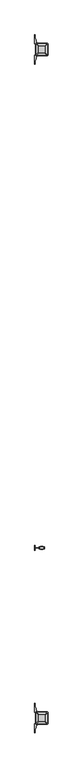
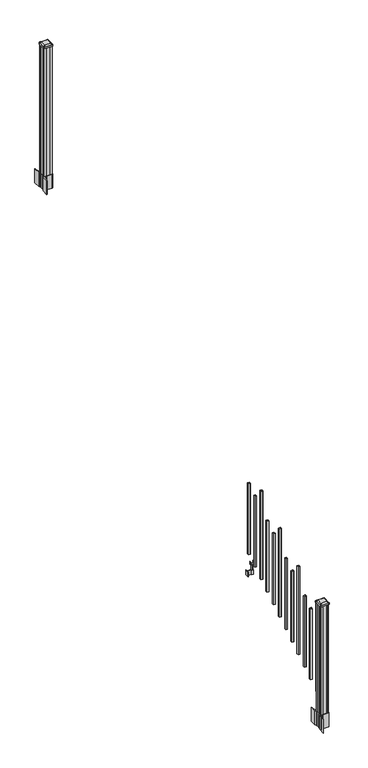
"""IFC4 building model written with IfcOpenShell, lengths in millimetres: railing geometry."""

import ifcopenshell
import ifcopenshell.guid

model = None  # the IFC model being written
_history = None  # IfcOwnerHistory: only IFC2X3 demands one
_inside = {}  # id of a spatial element -> (the spatial element, [elements in it])
_under = {}  # id of a project, library or spatial element -> (it, [spatial elements below it])
_declared = {}  # id of a project -> (the project, [libraries it declares])
_typed = {}  # id of a type object -> (the type object, [elements of that type])
_made_of = {}  # id of a material, layer set ... -> (it, [elements and type objects made of it])


def new_model(schema):
    """Start an empty IFC model of exactly this schema.

    Asked for "IFC4X3", IfcOpenShell would pick the latest addendum, in which some entities
    have other attributes; the version numbers below select the first issue.
    IFC2X3 requires an IfcOwnerHistory on every rooted entity: one is made here for all.
    """
    global model, _history
    if schema == "IFC4X3":
        model = ifcopenshell.file(schema_version=(4, 3, 0, 0))
    else:
        model = ifcopenshell.file(schema=schema)
    _inside.clear()
    _under.clear()
    _declared.clear()
    _typed.clear()
    _made_of.clear()
    _history = None
    if model.schema == "IFC2X3":
        org = make("IfcOrganization", Name="unknown")
        user = make(
            "IfcPersonAndOrganization",
            ThePerson=make("IfcPerson", FamilyName="unknown"),
            TheOrganization=org,
        )
        app = make(
            "IfcApplication",
            ApplicationDeveloper=org,
            Version="unknown",
            ApplicationFullName="unknown",
            ApplicationIdentifier="unknown",
        )
        _history = make(
            "IfcOwnerHistory",
            OwningUser=user,
            OwningApplication=app,
            ChangeAction="ADDED",
            CreationDate=0,
        )
    return model


def make(cls, **values):
    """One entity of the class cls with the attributes given. An attribute that is None is left unset."""
    return model.create_entity(
        cls, **{name: value for name, value in values.items() if value is not None}
    )


def rooted(cls, **values):
    """An entity with a GlobalId (a new one), such as an element, a storey or a relation."""
    return make(cls, GlobalId=ifcopenshell.guid.new(), OwnerHistory=_history, **values)


def si_unit(unit_type, name, prefix=None):
    """IfcSIUnit, for example si_unit("LENGTHUNIT", "METRE", prefix="MILLI")."""
    return make("IfcSIUnit", UnitType=unit_type, Prefix=prefix, Name=name)


def assignment(units):
    """IfcUnitAssignment: the units of a project."""
    return None if units is None else make("IfcUnitAssignment", Units=units)


def point(xyz):
    """IfcCartesianPoint."""
    return None if xyz is None else make("IfcCartesianPoint", Coordinates=xyz)


def direction(xyz):
    """IfcDirection."""
    return None if xyz is None else make("IfcDirection", DirectionRatios=xyz)


def frame(location, z_axis=None, x_axis=None):
    """IfcAxis2Placement3D, a coordinate frame: its origin and axes. An axis left out is left unset."""
    return make(
        "IfcAxis2Placement3D",
        Location=point(location),
        Axis=direction(z_axis),
        RefDirection=direction(x_axis),
    )


def frame_2d(location, x_axis=None):
    """IfcAxis2Placement2D, a coordinate frame in the plane: its origin and x axis."""
    return make(
        "IfcAxis2Placement2D", Location=point(location), RefDirection=direction(x_axis)
    )


def origin():
    """The frame at (0, 0, 0) with its axes left unset."""
    return frame((0.0, 0.0, 0.0))


def place(relative_to, where):
    """IfcLocalPlacement: puts the frame where relative to a parent placement (None: the world)."""
    return make(
        "IfcLocalPlacement", PlacementRelTo=relative_to, RelativePlacement=where
    )


def context(
    kind, dimensions, precision=None, world=None, true_north=None, identifier=None
):
    """IfcGeometricRepresentationContext, for example the 3D "Model" context."""
    return make(
        "IfcGeometricRepresentationContext",
        ContextIdentifier=identifier,
        ContextType=kind,
        CoordinateSpaceDimension=dimensions,
        Precision=precision,
        WorldCoordinateSystem=world,
        TrueNorth=true_north,
    )


def project(units=None, contexts=None):
    """IfcProject with its units and contexts."""
    return rooted(
        "IfcProject",
        Name="project",
        RepresentationContexts=contexts,
        UnitsInContext=assignment(units),
    )


def spatial(cls, under=None, at=None, **own):
    """A site, building, storey or space (cls), placed at a placement, below another one or the project."""
    s = rooted(cls, ObjectPlacement=at, **own)
    if under is not None:
        _under.setdefault(under.id(), (under, []))[1].append(s)
    return s


def polyline(points):
    """IfcPolyline through the points."""
    return make("IfcPolyline", Points=[point(p) for p in points])


def circle_curve(where, radius):
    """IfcCircle in the frame where."""
    return make("IfcCircle", Position=where, Radius=radius)


def trimmed(basis, trim1, trim2, sense, master):
    """IfcTrimmedCurve: the piece of a basis curve between two trims."""
    return make(
        "IfcTrimmedCurve",
        BasisCurve=basis,
        Trim1=trim1,
        Trim2=trim2,
        SenseAgreement=sense,
        MasterRepresentation=master,
    )


def segment(curve, same_sense, transition):
    """IfcCompositeCurveSegment."""
    return make(
        "IfcCompositeCurveSegment",
        Transition=transition,
        SameSense=same_sense,
        ParentCurve=curve,
    )


def composite_curve(segments, self_intersect=None):
    """IfcCompositeCurve: segments joined end to end."""
    return make("IfcCompositeCurve", Segments=segments, SelfIntersect=self_intersect)


def outline(outer, holes=None, kind="AREA"):
    """IfcArbitraryClosedProfileDef: a profile drawn as a closed curve; with holes, ...WithVoids."""
    if holes is None:
        return make("IfcArbitraryClosedProfileDef", ProfileType=kind, OuterCurve=outer)
    return make(
        "IfcArbitraryProfileDefWithVoids",
        ProfileType=kind,
        OuterCurve=outer,
        InnerCurves=holes,
    )


def extrude(swept, where, along, depth):
    """IfcExtrudedAreaSolid: the profile swept, set in the frame where, extruded along a direction by depth."""
    return make(
        "IfcExtrudedAreaSolid",
        SweptArea=swept,
        Position=where,
        ExtrudedDirection=direction(along),
        Depth=depth,
    )


def shape(context_of_items, identifier, shape_type, items):
    """IfcShapeRepresentation: the items that make up one representation, for example the "Body"."""
    return make(
        "IfcShapeRepresentation",
        ContextOfItems=context_of_items,
        RepresentationIdentifier=identifier,
        RepresentationType=shape_type,
        Items=items,
    )


def source(mapping_origin, context_of_items, identifier, shape_type, items):
    """IfcRepresentationMap: a shape defined once, which mapped items show again and again."""
    return make(
        "IfcRepresentationMap",
        MappingOrigin=mapping_origin,
        MappedRepresentation=shape(context_of_items, identifier, shape_type, items),
    )


def transform(
    local_origin,
    x_axis=None,
    y_axis=None,
    z_axis=None,
    scale=None,
    scale2=None,
    scale3=None,
    uniform=True,
):
    """IfcCartesianTransformationOperator3D, or its non-uniform kind. x_axis, y_axis, z_axis: its Axis1, 2, 3."""
    if uniform:
        return make(
            "IfcCartesianTransformationOperator3D",
            Axis1=direction(x_axis),
            Axis2=direction(y_axis),
            LocalOrigin=point(local_origin),
            Scale=scale,
            Axis3=direction(z_axis),
        )
    return make(
        "IfcCartesianTransformationOperator3DnonUniform",
        Axis1=direction(x_axis),
        Axis2=direction(y_axis),
        LocalOrigin=point(local_origin),
        Scale=scale,
        Axis3=direction(z_axis),
        Scale2=scale2,
        Scale3=scale3,
    )


def mapped(mapping_source, mapping_target):
    """IfcMappedItem: shows the shape of a source again, moved by a transform."""
    return make(
        "IfcMappedItem", MappingSource=mapping_source, MappingTarget=mapping_target
    )


def made_of(thing, what):
    """Note that an element or type object is made of a material, layer set ...; save() writes the relation."""
    if what is not None:
        _made_of.setdefault(what.id(), (what, []))[1].append(thing)
    return thing


def element(
    cls,
    number,
    at=None,
    inside=None,
    cuts=None,
    type_object=None,
    material=None,
    context=None,
    identifier="Body",
    shape_type=None,
    held_by="IfcProductDefinitionShape",
    body=None,
    shapes=None,
    **own,
):
    """One element of the class cls, such as IfcWall. Its Tag is "e" and its number.

    at: its placement. inside: the storey or other place that contains it. cuts: it is an
    opening in that element (IfcRelVoidsElement). A single representation is given by context,
    identifier, shape_type and body (its items); several are given by shapes. held_by: the class
    of the entity that holds the representations. save() writes the other relations.
    """
    e = rooted(cls, Tag="e%d" % number, ObjectPlacement=at, **own)
    if body is not None:
        shapes = [shape(context, identifier, shape_type, body)]
    if shapes is not None:
        e.Representation = make(held_by, Representations=shapes)
    if inside is not None:
        _inside.setdefault(inside.id(), (inside, []))[1].append(e)
    if cuts is not None:
        rooted(
            "IfcRelVoidsElement", RelatingBuildingElement=cuts, RelatedOpeningElement=e
        )
    if type_object is not None:
        _typed.setdefault(type_object.id(), (type_object, []))[1].append(e)
    return made_of(e, material)


def aggregate(whole, parts):
    """IfcRelAggregates: a whole, such as a stair, and the parts it consists of."""
    return rooted("IfcRelAggregates", RelatingObject=whole, RelatedObjects=parts)


def save(model, path):
    """Write the relations noted so far, then the file.

    IfcRelAggregates (storeys below a building ...), IfcRelContainedInSpatialStructure (elements
    in a storey), IfcRelDefinesByType, IfcRelAssociatesMaterial and IfcRelDeclares: one each for
    every whole, place, type object, material and project.
    """
    for whole, parts in _under.values():
        aggregate(whole, parts)
    for where, things in _inside.values():
        rooted(
            "IfcRelContainedInSpatialStructure",
            RelatedElements=things,
            RelatingStructure=where,
        )
    for kind, things in _typed.values():
        rooted("IfcRelDefinesByType", RelatedObjects=things, RelatingType=kind)
    for what, things in _made_of.values():
        rooted("IfcRelAssociatesMaterial", RelatedObjects=things, RelatingMaterial=what)
    for by, libraries in _declared.values():
        rooted("IfcRelDeclares", RelatingContext=by, RelatedDefinitions=libraries)
    model.write(path)


def plane_surface(at):
    """IfcPlane: the flat surface through the origin of the frame at, square to its z axis."""
    return make("IfcPlane", Position=at)


def extruded_surface(curve, direction_of_extrusion, depth):
    """IfcSurfaceOfLinearExtrusion: the curve pushed along a direction by depth."""
    return make(
        "IfcSurfaceOfLinearExtrusion",
        SweptCurve=make("IfcArbitraryOpenProfileDef", ProfileType="CURVE", Curve=curve),
        ExtrudedDirection=direction(direction_of_extrusion),
        Depth=depth,
    )


def advanced_brep(points, edges, surfaces, faces):
    """IfcAdvancedBrep: a solid bounded by faces that lie on surfaces and meet in shared edges.

    An edge is (start, end): straight between two places in points (the first is 0);
    or (start, end, curve); or (start, end, curve, False) where it runs against its curve.
    A face is (place in surfaces, loops), or (place, loops, False) where it looks against
    its surface's normal. A loop lists edges by number (the first is 1), with a minus sign
    where the edge is run from its end to its start. The first loop is the outer one.
    """
    corners = [point(p) for p in points]
    vertices = [make("IfcVertexPoint", VertexGeometry=c) for c in corners]
    made = []
    for start, end, *more in edges:
        made.append(
            make(
                "IfcEdgeCurve",
                EdgeStart=vertices[start],
                EdgeEnd=vertices[end],
                EdgeGeometry=more[0] if more else make("IfcPolyline", Points=[corners[start], corners[end]]),
                SameSense=more[1] if len(more) > 1 else True,
            )
        )
    hull = []
    for where, loops, *sense in faces:
        bounds = []
        for j, loop in enumerate(loops):
            ring = [make("IfcOrientedEdge", EdgeElement=made[abs(k) - 1], Orientation=k > 0) for k in loop]
            bounds.append(
                make(
                    "IfcFaceOuterBound" if j == 0 else "IfcFaceBound",
                    Bound=make("IfcEdgeLoop", EdgeList=ring),
                    Orientation=True,
                )
            )
        hull.append(make("IfcAdvancedFace", Bounds=bounds, FaceSurface=surfaces[where], SameSense=sense[0] if sense else True))
    return make("IfcAdvancedBrep", Outer=make("IfcClosedShell", CfsFaces=hull))


def railing_9522a5c0(model_context):
    return source(origin(), model_context, "Body", "SolidModel", [
        extrude(outline(polyline([(11084.3626478, -128101.8918453), (11065.3126478, -128101.8918453), (11065.3126478, -128082.8418453), (11084.3626478, -128082.8418453), (11084.3626478, -128101.8918453)]), holes=[polyline([(11083.9657728, -128101.4949703), (11083.9657728, -128083.2387203), (11065.7095228, -128083.2387203), (11065.7095228, -128101.4949703), (11083.9657728, -128101.4949703)])]), frame((0.0, 0.0, 1089.6558781), z_axis=(0.0, 0.0, 1.0), x_axis=(1.0, 0.0, 0.0)), (0.0, 0.0, 1.0), 774.7041219),
        extrude(outline(polyline([(11064.169648, -128149.2628453), (11024.7996478, -128149.2628453), (11024.7996478, -128146.7228453), (11064.169648, -128146.7228453), (11064.169648, -128149.2628453)])), frame((0.0, 0.0, 902.49375), z_axis=(0.0, 0.0, 1.0), x_axis=(1.0, 0.0, 0.0)), (0.0, 0.0, 1.0), 50.8),
        extrude(outline(polyline([(11024.7996478, -128167.0428453), (11022.2596478, -128167.0428453), (11022.2596478, -128128.9428453), (11024.7996478, -128128.9428453), (11024.7996478, -128167.0428453)])), frame((0.0, 0.0, 902.49375), z_axis=(0.0, 0.0, 1.0), x_axis=(1.0, 0.0, 0.0)), (0.0, 0.0, 1.0), 50.8),
        extrude(outline(polyline([(11085.5056485, -128157.8988453), (11064.169648, -128157.8988453), (11064.169648, -128138.0868453), (11085.5056485, -128138.0868453), (11085.5056485, -128157.8988453)]), holes=[polyline([(11082.2036484, -128155.3588453), (11082.2036484, -128140.6268453), (11067.4716481, -128140.6268453), (11067.4716481, -128155.3588453), (11082.2036484, -128155.3588453)])]), frame((0.0, 0.0, 902.49375), z_axis=(0.0, 0.0, 1.0), x_axis=(1.0, 0.0, 0.0)), (0.0, 0.0, 1.0), 50.8),
        extrude(outline(polyline([(1042.0141479, 11056.6766489), (1041.2521469, 11055.9146479), (1014.7617523, 11055.9146479), (1013.9997513, 11056.6766489), (1013.9997513, 11066.709648), (1013.2377512, 11067.4716481), (949.7377512, 11067.4716481), (949.7377512, 11082.2036484), (1013.2377512, 11082.2036484), (1013.9997513, 11082.9656485), (1013.9997513, 11092.9986475), (1014.7617523, 11093.7606486), (1041.2521469, 11093.7606486), (1042.0141479, 11092.9986475), (1042.0141479, 11090.966648), (1040.9981453, 11089.9506482), (1030.5623581, 11089.9506482), (1029.5463573, 11090.966648), (1017.555751, 11090.966648), (1016.7937519, 11090.2046488), (1016.7937519, 11059.4706477), (1017.555751, 11058.7086485), (1029.5463573, 11058.7086485), (1030.5623581, 11059.7246483), (1040.9981453, 11059.7246483), (1042.0141479, 11058.7086485), (1042.0141479, 11056.6766489)]), holes=[polyline([(1013.9997513, 11078.2666481), (1013.2377512, 11079.0286482), (957.2307531, 11079.0286482), (956.4687531, 11078.2666481), (956.4687531, 11071.4086455), (957.2307503, 11070.6466483), (1013.2377512, 11070.6466483), (1013.9997513, 11071.4086483), (1013.9997513, 11078.2666481)])]), frame((0.0, -128155.3588453, 0.0), z_axis=(0.0, 1.0, 0.0), x_axis=(0.0, 0.0, 1.0)), (0.0, 0.0, 1.0), 14.732),
        extrude(outline(polyline([(11084.3626478, -128213.1438453), (11065.3126478, -128213.1438453), (11065.3126478, -128194.0938453), (11084.3626478, -128194.0938453), (11084.3626478, -128213.1438453)]), holes=[polyline([(11083.9657728, -128212.7469703), (11083.9657728, -128194.4907203), (11065.7095228, -128194.4907203), (11065.7095228, -128212.7469703), (11083.9657728, -128212.7469703)])]), frame((0.0, 0.0, 1020.1233781), z_axis=(0.0, 0.0, 1.0), x_axis=(1.0, 0.0, 0.0)), (0.0, 0.0, 1.0), 774.7041219),
        extrude(outline(polyline([(11084.3626478, -128324.3958453), (11065.3126478, -128324.3958453), (11065.3126478, -128305.3458453), (11084.3626478, -128305.3458453), (11084.3626478, -128324.3958453)]), holes=[polyline([(11083.9657728, -128323.9989703), (11083.9657728, -128305.7427203), (11065.7095228, -128305.7427203), (11065.7095228, -128323.9989703), (11083.9657728, -128323.9989703)])]), frame((0.0, 0.0, 950.5908781), z_axis=(0.0, 0.0, 1.0), x_axis=(1.0, 0.0, 0.0)), (0.0, 0.0, 1.0), 965.2041219),
        extrude(outline(polyline([(11084.3626478, -128435.6478453), (11065.3126478, -128435.6478453), (11065.3126478, -128416.5978453), (11084.3626478, -128416.5978453), (11084.3626478, -128435.6478453)]), holes=[polyline([(11083.9657728, -128435.2509703), (11083.9657728, -128416.9947203), (11065.7095228, -128416.9947203), (11065.7095228, -128435.2509703), (11083.9657728, -128435.2509703)])]), frame((0.0, 0.0, 881.0583781), z_axis=(0.0, 0.0, 1.0), x_axis=(1.0, 0.0, 0.0)), (0.0, 0.0, 1.0), 774.7041219),
        extrude(outline(polyline([(11084.3626478, -128546.8998453), (11065.3126478, -128546.8998453), (11065.3126478, -128527.8498453), (11084.3626478, -128527.8498453), (11084.3626478, -128546.8998453)]), holes=[polyline([(11083.9657728, -128546.5029703), (11083.9657728, -128528.2467203), (11065.7095228, -128528.2467203), (11065.7095228, -128546.5029703), (11083.9657728, -128546.5029703)])]), frame((0.0, 0.0, 811.5258781), z_axis=(0.0, 0.0, 1.0), x_axis=(1.0, 0.0, 0.0)), (0.0, 0.0, 1.0), 774.7041219),
        extrude(outline(polyline([(11084.3626478, -128658.1518453), (11065.3126478, -128658.1518453), (11065.3126478, -128639.1018453), (11084.3626478, -128639.1018453), (11084.3626478, -128658.1518453)]), holes=[polyline([(11083.9657728, -128657.7549703), (11083.9657728, -128639.4987203), (11065.7095228, -128639.4987203), (11065.7095228, -128657.7549703), (11083.9657728, -128657.7549703)])]), frame((0.0, 0.0, 741.9933781), z_axis=(0.0, 0.0, 1.0), x_axis=(1.0, 0.0, 0.0)), (0.0, 0.0, 1.0), 965.2041219),
        extrude(outline(polyline([(11084.3626478, -128769.4038453), (11065.3126478, -128769.4038453), (11065.3126478, -128750.3538453), (11084.3626478, -128750.3538453), (11084.3626478, -128769.4038453)]), holes=[polyline([(11083.9657728, -128769.0069703), (11083.9657728, -128750.7507203), (11065.7095228, -128750.7507203), (11065.7095228, -128769.0069703), (11083.9657728, -128769.0069703)])]), frame((0.0, 0.0, 672.4608781), z_axis=(0.0, 0.0, 1.0), x_axis=(1.0, 0.0, 0.0)), (0.0, 0.0, 1.0), 774.7041219),
        extrude(outline(polyline([(11084.3626478, -128880.6558453), (11065.3126478, -128880.6558453), (11065.3126478, -128861.6058453), (11084.3626478, -128861.6058453), (11084.3626478, -128880.6558453)]), holes=[polyline([(11083.9657728, -128880.2589703), (11083.9657728, -128862.0027203), (11065.7095228, -128862.0027203), (11065.7095228, -128880.2589703), (11083.9657728, -128880.2589703)])]), frame((0.0, 0.0, 602.9283781), z_axis=(0.0, 0.0, 1.0), x_axis=(1.0, 0.0, 0.0)), (0.0, 0.0, 1.0), 774.7041219),
        extrude(outline(polyline([(11084.3626478, -128991.9078453), (11065.3126478, -128991.9078453), (11065.3126478, -128972.8578453), (11084.3626478, -128972.8578453), (11084.3626478, -128991.9078453)]), holes=[polyline([(11083.9657728, -128991.5109703), (11083.9657728, -128973.2547203), (11065.7095228, -128973.2547203), (11065.7095228, -128991.5109703), (11083.9657728, -128991.5109703)])]), frame((0.0, 0.0, 533.3958781), z_axis=(0.0, 0.0, 1.0), x_axis=(1.0, 0.0, 0.0)), (0.0, 0.0, 1.0), 965.2041219),
        extrude(outline(polyline([(11084.3626478, -129103.1598453), (11065.3126478, -129103.1598453), (11065.3126478, -129084.1098453), (11084.3626478, -129084.1098453), (11084.3626478, -129103.1598453)]), holes=[polyline([(11083.9657728, -129102.7629703), (11083.9657728, -129084.5067203), (11065.7095228, -129084.5067203), (11065.7095228, -129102.7629703), (11083.9657728, -129102.7629703)])]), frame((0.0, 0.0, 463.8633781), z_axis=(0.0, 0.0, 1.0), x_axis=(1.0, 0.0, 0.0)), (0.0, 0.0, 1.0), 774.7041219),
        extrude(outline(polyline([(11084.3626478, -129214.4118453), (11065.3126478, -129214.4118453), (11065.3126478, -129195.3618453), (11084.3626478, -129195.3618453), (11084.3626478, -129214.4118453)]), holes=[polyline([(11083.9657728, -129214.0149703), (11083.9657728, -129195.7587203), (11065.7095228, -129195.7587203), (11065.7095228, -129214.0149703), (11083.9657728, -129214.0149703)])]), frame((0.0, 0.0, 394.3308781), z_axis=(0.0, 0.0, 1.0), x_axis=(1.0, 0.0, 0.0)), (0.0, 0.0, 1.0), 774.7041219),
        extrude(outline(polyline([(11084.3626478, -129325.6638453), (11065.3126478, -129325.6638453), (11065.3126478, -129306.6138453), (11084.3626478, -129306.6138453), (11084.3626478, -129325.6638453)]), holes=[polyline([(11083.9657728, -129325.2669703), (11083.9657728, -129307.0107203), (11065.7095228, -129307.0107203), (11065.7095228, -129325.2669703), (11083.9657728, -129325.2669703)])]), frame((0.0, 0.0, 324.7983781), z_axis=(0.0, 0.0, 1.0), x_axis=(1.0, 0.0, 0.0)), (0.0, 0.0, 1.0), 965.2041219),
        extrude(outline(polyline([(11035.1501478, -124491.5358453), (11033.5626478, -124489.9483453), (11033.5626478, -124470.3268453), (11035.1501478, -124469.5648453), (11035.1501478, -124430.9568453), (11033.5626478, -124430.1948453), (11033.5626478, -124410.5733453), (11035.1501478, -124408.9858453), (11054.7716478, -124408.9858453), (11055.5336478, -124410.5733453), (11094.1416478, -124410.5733453), (11094.9036478, -124408.9858453), (11114.5251478, -124408.9858453), (11116.1126478, -124410.5733453), (11116.1126478, -124430.1948453), (11114.5251478, -124430.9568453), (11114.5251478, -124469.5648453), (11116.1126478, -124470.3268453), (11116.1126478, -124489.9483453), (11114.5251478, -124491.5358453), (11094.9036478, -124491.5358453), (11094.1416478, -124489.9483453), (11055.5336478, -124489.9483453), (11054.7716478, -124491.5358453), (11035.1501478, -124491.5358453)])), frame((0.0, 0.0, 3048.0), z_axis=(0.0, 0.0, 1.0), x_axis=(1.0, 0.0, 0.0)), (0.0, 0.0, 1.0), 1400.140513),
        extrude(outline(composite_curve([segment(polyline([(11117.5731478, -124467.6469401), (11119.1606478, -124468.4089401), (11119.1606478, -124491.2108682), (11115.7876707, -124494.5838453), (11054.3279999, -124494.5838453), (11054.3279999, -124495.5045953), (11049.0104561, -124495.5045953), (11049.0104561, -124496.95885), (11043.9259264, -124496.95885), (11043.9259264, -124498.2428738), (11042.2586541, -124498.2428738)]), True, "CONTINUOUS"), segment(trimmed(circle_curve(frame_2d((11042.2586541, -124505.3023337)), 7.0594599), [point((11042.2586541, -124498.2428738))], [point((11035.4913912, -124503.292327))], True, "CARTESIAN"), True, "CONTINUOUS"), segment(polyline([(11035.4913912, -124503.292327), (11027.6171969, -124529.8030561)]), True, "CONTINUOUS"), segment(trimmed(circle_curve(frame_2d((11082.4017103, -124546.0751057)), 57.15), [point((11027.6171969, -124529.8030561))], [point((11025.2517103, -124546.0751057))], True, "CARTESIAN"), True, "CONTINUOUS"), segment(polyline([(11025.2517103, -124546.0751057), (11025.2517103, -124558.0838453), (11022.2517103, -124558.0838453), (11022.2517103, -124492.9963453), (11030.5146478, -124481.658054), (11030.5146478, -124468.4089401), (11032.1021478, -124467.6469401), (11032.1021478, -124432.8747504), (11030.5146478, -124432.1127504), (11030.5146478, -124418.8636366), (11022.2517103, -124407.5253453), (11022.2517103, -124342.4378453), (11025.2517103, -124342.4378453), (11025.2517103, -124354.4465848)]), True, "CONTINUOUS"), segment(trimmed(circle_curve(frame_2d((11082.4017103, -124354.4465848)), 57.15), [point((11025.2517103, -124354.4465848))], [point((11027.6171969, -124370.7186345))], True, "CARTESIAN"), True, "CONTINUOUS"), segment(polyline([(11027.6171969, -124370.7186345), (11035.4913912, -124397.2293636)]), True, "CONTINUOUS"), segment(trimmed(circle_curve(frame_2d((11042.2586541, -124395.2193569)), 7.0594599), [point((11035.4913912, -124397.2293636))], [point((11042.2586541, -124402.2788168))], True, "CARTESIAN"), True, "CONTINUOUS"), segment(polyline([(11042.2586541, -124402.2788168), (11043.9259264, -124402.2788168), (11043.9259264, -124403.5628406), (11049.0104561, -124403.5628406), (11049.0104561, -124405.0170953), (11054.3279999, -124405.0170953), (11054.3279999, -124405.9378453), (11115.7876707, -124405.9378453), (11119.1606478, -124409.3108224), (11119.1606478, -124432.1127504), (11117.5731478, -124432.8747504), (11117.5731478, -124467.6469401)]), True, "CONTINUOUS")], self_intersect=False), holes=[polyline([(11033.5626478, -124410.5733453), (11033.5626478, -124489.9483453), (11035.1501478, -124491.5358453), (11072.0744304, -124491.5358453), (11114.5251478, -124491.5358453), (11116.1126478, -124489.9483453), (11116.1126478, -124410.5733453), (11114.5251478, -124408.9858453), (11072.0744304, -124408.9858453), (11035.1501478, -124408.9858453), (11033.5626478, -124410.5733453)])]), frame((0.0, 0.0, 2895.6), z_axis=(0.0, 0.0, 1.0), x_axis=(1.0, 0.0, 0.0)), (0.0, 0.0, 1.0), 152.4),
        advanced_brep(
        [(11049.0407728, -124479.2327203, 4476.715513), (11100.6345228, -124479.2327203, 4476.715513), (11103.8095228, -124476.0577203, 4476.715513), (11103.8095228, -124424.4639703, 4476.715513), (11100.6345228, -124421.2889703, 4476.715513), (11049.0407728, -124421.2889703, 4476.715513), (11045.8657728, -124424.4639703, 4476.715513), (11045.8657728, -124476.0577203, 4476.715513), (11032.7688978, -124495.5045953, 4465.412513), (11029.5938978, -124492.3295953, 4465.412513), (11029.5938978, -124408.1920953, 4465.412513), (11032.7688978, -124405.0170953, 4465.412513), (11116.9063978, -124405.0170953, 4465.412513), (11120.0813978, -124408.1920953, 4465.412513), (11120.0813978, -124492.3295953, 4465.412513), (11116.9063978, -124495.5045953, 4465.412513)],
        [
            (0, 1),
            (1, 2, circle_curve(frame((11100.6345228, -124476.0577203, 4476.715513), z_axis=(0.0, 0.0, 1.0), x_axis=(0.0, 1.0, 0.0)), 3.175)),
            (2, 3),
            (3, 4, circle_curve(frame((11100.6345228, -124424.4639703, 4476.715513), z_axis=(0.0, 0.0, 1.0), x_axis=(0.0, 1.0, 0.0)), 3.175)),
            (4, 5),
            (5, 6, circle_curve(frame((11049.0407728, -124424.4639703, 4476.715513), z_axis=(0.0, 0.0, 1.0), x_axis=(0.0, 1.0, 0.0)), 3.175)),
            (6, 7),
            (7, 0, circle_curve(frame((11049.0407728, -124476.0577203, 4476.715513), z_axis=(0.0, 0.0, 1.0), x_axis=(0.0, 1.0, 0.0)), 3.175)),
            (8, 9, circle_curve(frame((11032.7688978, -124492.3295953, 4465.412513), z_axis=(0.0, 0.0, -1.0), x_axis=(0.0, 1.0, 0.0)), 3.175)),
            (9, 10),
            (10, 11, circle_curve(frame((11032.7688978, -124408.1920953, 4465.412513), z_axis=(0.0, 0.0, -1.0), x_axis=(0.0, 1.0, 0.0)), 3.175)),
            (11, 12),
            (12, 13, circle_curve(frame((11116.9063978, -124408.1920953, 4465.412513), z_axis=(0.0, 0.0, -1.0), x_axis=(0.0, 1.0, 0.0)), 3.175)),
            (13, 14),
            (14, 15, circle_curve(frame((11116.9063978, -124492.3295953, 4465.412513), z_axis=(0.0, 0.0, -1.0), x_axis=(0.0, 1.0, 0.0)), 3.175)),
            (15, 8),
            (8, 0),
            (7, 9),
            (6, 10),
            (5, 11),
            (4, 12),
            (3, 13),
            (2, 14),
            (1, 15),
        ],
        [
            plane_surface(frame((11074.8376478, -124450.2608453, 4476.715513), z_axis=(0.0, 0.0, 1.0), x_axis=(-1.0, 0.0, 0.0))),
            plane_surface(frame((11074.8376478, -124450.2608453, 4465.412513), z_axis=(0.0, 0.0, -1.0), x_axis=(-1.0, 0.0, 0.0))),
            extruded_surface(trimmed(circle_curve(frame((11049.0407728, -124476.0577203, 4476.715513), z_axis=(0.0, 0.0, -1.0), x_axis=(0.0, 1.0, 0.0)), 3.175), [point((11049.0407728, -124479.2327203, 4476.715513))], [point((11045.8657728, -124476.0577203, 4476.715513))], True, "CARTESIAN"), (-16.271874999998545, -16.27187500000582, -11.302999999999884), 25.63797263886888),
            plane_surface(frame((11029.5938978, -124450.2608453, 4465.412513), z_axis=(-0.5705009161540685, 0.0, 0.8212969649690474), x_axis=(0.0, 1.0, 0.0))),
            extruded_surface(trimmed(circle_curve(frame((11049.0407728, -124424.4639703, 4476.715513), z_axis=(0.0, 0.0, -1.0), x_axis=(0.0, 1.0, 0.0)), 3.175), [point((11045.8657728, -124424.4639703, 4476.715513))], [point((11049.0407728, -124421.2889703, 4476.715513))], True, "CARTESIAN"), (-16.271874999998545, 16.27187500000582, -11.302999999999884), 25.63797263886888),
            plane_surface(frame((11074.8376478, -124405.0170953, 4465.412513), z_axis=(0.0, 0.5705009161540291, 0.8212969649690747), x_axis=(1.0, 0.0, 0.0))),
            extruded_surface(trimmed(circle_curve(frame((11100.6345228, -124424.4639703, 4476.715513), z_axis=(0.0, 0.0, -1.0), x_axis=(0.0, 1.0, 0.0)), 3.175), [point((11100.6345228, -124421.2889703, 4476.715513))], [point((11103.8095228, -124424.4639703, 4476.715513))], True, "CARTESIAN"), (16.271875000000364, 16.27187500000582, -11.302999999999884), 25.637972638870036),
            plane_surface(frame((11120.0813978, -124450.2608453, 4465.412513), z_axis=(0.5705009161540235, 0.0, 0.8212969649690786), x_axis=(0.0, -1.0, 0.0))),
            extruded_surface(trimmed(circle_curve(frame((11100.6345228, -124476.0577203, 4476.715513), z_axis=(0.0, 0.0, -1.0), x_axis=(0.0, 1.0, 0.0)), 3.175), [point((11103.8095228, -124476.0577203, 4476.715513))], [point((11100.6345228, -124479.2327203, 4476.715513))], True, "CARTESIAN"), (16.271875000000364, -16.27187500000582, -11.302999999999884), 25.637972638870036),
            plane_surface(frame((11074.8376478, -124495.5045953, 4465.412513), z_axis=(0.0, -0.570500916154034, 0.8212969649690713), x_axis=(-1.0, 0.0, 0.0))),
        ],
        [
            (0, [[1, 2, 3, 4, 5, 6, 7, 8]]),
            (1, [[9, 10, 11, 12, 13, 14, 15, 16]]),
            (2, [[17, -8, 18, -9]]),
            (3, [[-18, -7, 19, -10]]),
            (4, [[-19, -6, 20, -11]]),
            (5, [[-20, -5, 21, -12]]),
            (6, [[-21, -4, 22, -13]]),
            (7, [[-22, -3, 23, -14]]),
            (8, [[-23, -2, 24, -15]]),
            (9, [[-24, -1, -17, -16]]),
        ],
    ),
        extrude(outline(composite_curve([segment(trimmed(circle_curve(frame_2d((11032.7688978, -124492.3295953)), 3.175), [point((11032.7688978, -124495.5045953))], [point((11029.5938978, -124492.3295953))], False, "CARTESIAN"), True, "CONTINUOUS"), segment(polyline([(11029.5938978, -124492.3295953), (11029.5938978, -124408.1920953)]), True, "CONTINUOUS"), segment(trimmed(circle_curve(frame_2d((11032.7688978, -124408.1920953)), 3.175), [point((11029.5938978, -124408.1920953))], [point((11032.7688978, -124405.0170953))], False, "CARTESIAN"), True, "CONTINUOUS"), segment(polyline([(11032.7688978, -124405.0170953), (11116.9063978, -124405.0170953)]), True, "CONTINUOUS"), segment(trimmed(circle_curve(frame_2d((11116.9063978, -124408.1920953)), 3.175), [point((11116.9063978, -124405.0170953))], [point((11120.0813978, -124408.1920953))], False, "CARTESIAN"), True, "CONTINUOUS"), segment(polyline([(11120.0813978, -124408.1920953), (11120.0813978, -124492.3295953)]), True, "CONTINUOUS"), segment(trimmed(circle_curve(frame_2d((11116.9063978, -124492.3295953)), 3.175), [point((11120.0813978, -124492.3295953))], [point((11116.9063978, -124495.5045953))], False, "CARTESIAN"), True, "CONTINUOUS"), segment(polyline([(11116.9063978, -124495.5045953), (11032.7688978, -124495.5045953)]), True, "CONTINUOUS")], self_intersect=False)), frame((0.0, 0.0, 4448.140513), z_axis=(0.0, 0.0, 1.0), x_axis=(1.0, 0.0, 0.0)), (0.0, 0.0, 1.0), 17.272),
        extrude(outline(composite_curve([segment(polyline([(11117.5731478, -129427.2509401), (11119.1606478, -129428.0129401), (11119.1606478, -129450.8148682), (11115.7876707, -129454.1878453), (11054.3279999, -129454.1878453), (11054.3279999, -129455.1085953), (11049.0104561, -129455.1085953), (11049.0104561, -129456.56285), (11043.9259264, -129456.56285), (11043.9259264, -129457.8468738), (11042.2586541, -129457.8468738)]), True, "CONTINUOUS"), segment(trimmed(circle_curve(frame_2d((11042.2586541, -129464.9063337)), 7.0594599), [point((11042.2586541, -129457.8468738))], [point((11035.4913912, -129462.896327))], True, "CARTESIAN"), True, "CONTINUOUS"), segment(polyline([(11035.4913912, -129462.896327), (11027.6171969, -129489.4070561)]), True, "CONTINUOUS"), segment(trimmed(circle_curve(frame_2d((11082.4017103, -129505.6791057)), 57.15), [point((11027.6171969, -129489.4070561))], [point((11025.2517103, -129505.6791057))], True, "CARTESIAN"), True, "CONTINUOUS"), segment(polyline([(11025.2517103, -129505.6791057), (11025.2517103, -129517.6878453), (11022.2517103, -129517.6878453), (11022.2517103, -129452.6003453), (11030.5146478, -129441.262054), (11030.5146478, -129428.0129401), (11032.1021478, -129427.2509401), (11032.1021478, -129392.4787504), (11030.5146478, -129391.7167504), (11030.5146478, -129378.4676366), (11022.2517103, -129367.1293453), (11022.2517103, -129302.0418453), (11025.2517103, -129302.0418453), (11025.2517103, -129314.0505848)]), True, "CONTINUOUS"), segment(trimmed(circle_curve(frame_2d((11082.4017103, -129314.0505848)), 57.15), [point((11025.2517103, -129314.0505848))], [point((11027.6171969, -129330.3226345))], True, "CARTESIAN"), True, "CONTINUOUS"), segment(polyline([(11027.6171969, -129330.3226345), (11035.4913912, -129356.8333636)]), True, "CONTINUOUS"), segment(trimmed(circle_curve(frame_2d((11042.2586541, -129354.8233569)), 7.0594599), [point((11035.4913912, -129356.8333636))], [point((11042.2586541, -129361.8828168))], True, "CARTESIAN"), True, "CONTINUOUS"), segment(polyline([(11042.2586541, -129361.8828168), (11043.9259264, -129361.8828168), (11043.9259264, -129363.1668406), (11049.0104561, -129363.1668406), (11049.0104561, -129364.6210953), (11054.3279999, -129364.6210953), (11054.3279999, -129365.5418453), (11115.7876707, -129365.5418453), (11119.1606478, -129368.9148224), (11119.1606478, -129391.7167504), (11117.5731478, -129392.4787504), (11117.5731478, -129427.2509401)]), True, "CONTINUOUS")], self_intersect=False), holes=[polyline([(11033.5626478, -129370.1773453), (11033.5626478, -129449.5523453), (11035.1501478, -129451.1398453), (11072.0744304, -129451.1398453), (11114.5251478, -129451.1398453), (11116.1126478, -129449.5523453), (11116.1126478, -129370.1773453), (11114.5251478, -129368.5898453), (11072.0744304, -129368.5898453), (11035.1501478, -129368.5898453), (11033.5626478, -129370.1773453)])]), frame((0.0, 0.0, 12.22375), z_axis=(0.0, 0.0, 1.0), x_axis=(1.0, 0.0, 0.0)), (0.0, 0.0, 1.0), 152.4),
        advanced_brep(
        [(11049.0407728, -129438.8367203, 1376.963013), (11100.6345228, -129438.8367203, 1376.963013), (11103.8095228, -129435.6617203, 1376.963013), (11103.8095228, -129384.0679703, 1376.963013), (11100.6345228, -129380.8929703, 1376.963013), (11049.0407728, -129380.8929703, 1376.963013), (11045.8657728, -129384.0679703, 1376.963013), (11045.8657728, -129435.6617203, 1376.963013), (11032.7688978, -129455.1085953, 1365.660013), (11029.5938978, -129451.9335953, 1365.660013), (11029.5938978, -129367.7960953, 1365.660013), (11032.7688978, -129364.6210953, 1365.660013), (11116.9063978, -129364.6210953, 1365.660013), (11120.0813978, -129367.7960953, 1365.660013), (11120.0813978, -129451.9335953, 1365.660013), (11116.9063978, -129455.1085953, 1365.660013)],
        [
            (0, 1),
            (1, 2, circle_curve(frame((11100.6345228, -129435.6617203, 1376.963013), z_axis=(0.0, 0.0, 1.0), x_axis=(0.0, 1.0, 0.0)), 3.175)),
            (2, 3),
            (3, 4, circle_curve(frame((11100.6345228, -129384.0679703, 1376.963013), z_axis=(0.0, 0.0, 1.0), x_axis=(0.0, 1.0, 0.0)), 3.175)),
            (4, 5),
            (5, 6, circle_curve(frame((11049.0407728, -129384.0679703, 1376.963013), z_axis=(0.0, 0.0, 1.0), x_axis=(0.0, 1.0, 0.0)), 3.175)),
            (6, 7),
            (7, 0, circle_curve(frame((11049.0407728, -129435.6617203, 1376.963013), z_axis=(0.0, 0.0, 1.0), x_axis=(0.0, 1.0, 0.0)), 3.175)),
            (8, 9, circle_curve(frame((11032.7688978, -129451.9335953, 1365.660013), z_axis=(0.0, 0.0, -1.0), x_axis=(0.0, 1.0, 0.0)), 3.175)),
            (9, 10),
            (10, 11, circle_curve(frame((11032.7688978, -129367.7960953, 1365.660013), z_axis=(0.0, 0.0, -1.0), x_axis=(0.0, 1.0, 0.0)), 3.175)),
            (11, 12),
            (12, 13, circle_curve(frame((11116.9063978, -129367.7960953, 1365.660013), z_axis=(0.0, 0.0, -1.0), x_axis=(0.0, 1.0, 0.0)), 3.175)),
            (13, 14),
            (14, 15, circle_curve(frame((11116.9063978, -129451.9335953, 1365.660013), z_axis=(0.0, 0.0, -1.0), x_axis=(0.0, 1.0, 0.0)), 3.175)),
            (15, 8),
            (8, 0),
            (7, 9),
            (6, 10),
            (5, 11),
            (4, 12),
            (3, 13),
            (2, 14),
            (1, 15),
        ],
        [
            plane_surface(frame((11074.8376478, -129409.8648453, 1376.963013), z_axis=(0.0, 0.0, 1.0), x_axis=(-1.0, 0.0, 0.0))),
            plane_surface(frame((11074.8376478, -129409.8648453, 1365.660013), z_axis=(0.0, 0.0, -1.0), x_axis=(-1.0, 0.0, 0.0))),
            extruded_surface(trimmed(circle_curve(frame((11049.0407728, -129435.6617203, 1376.963013), z_axis=(0.0, 0.0, -1.0), x_axis=(0.0, 1.0, 0.0)), 3.175), [point((11049.0407728, -129438.8367203, 1376.963013))], [point((11045.8657728, -129435.6617203, 1376.963013))], True, "CARTESIAN"), (-16.271874999998545, -16.27187499999127, -11.303000000000111), 25.637972638859747),
            plane_surface(frame((11029.5938978, -129409.8648453, 1365.660013), z_axis=(-0.5705009161540778, 0.0, 0.8212969649690408), x_axis=(0.0, 1.0, 0.0))),
            extruded_surface(trimmed(circle_curve(frame((11049.0407728, -129384.0679703, 1376.963013), z_axis=(0.0, 0.0, -1.0), x_axis=(0.0, 1.0, 0.0)), 3.175), [point((11045.8657728, -129384.0679703, 1376.963013))], [point((11049.0407728, -129380.8929703, 1376.963013))], True, "CARTESIAN"), (-16.271874999998545, 16.27187500000582, -11.303000000000111), 25.63797263886898),
            plane_surface(frame((11074.8376478, -129364.6210953, 1365.660013), z_axis=(0.0, 0.5705009161540291, 0.8212969649690747), x_axis=(1.0, 0.0, 0.0))),
            extruded_surface(trimmed(circle_curve(frame((11100.6345228, -129384.0679703, 1376.963013), z_axis=(0.0, 0.0, -1.0), x_axis=(0.0, 1.0, 0.0)), 3.175), [point((11100.6345228, -129380.8929703, 1376.963013))], [point((11103.8095228, -129384.0679703, 1376.963013))], True, "CARTESIAN"), (16.271875000000364, 16.27187500000582, -11.303000000000111), 25.63797263887014),
            plane_surface(frame((11120.0813978, -129409.8648453, 1365.660013), z_axis=(0.5705009161540142, 0.0, 0.8212969649690851), x_axis=(0.0, -1.0, 0.0))),
            extruded_surface(trimmed(circle_curve(frame((11100.6345228, -129435.6617203, 1376.963013), z_axis=(0.0, 0.0, -1.0), x_axis=(0.0, 1.0, 0.0)), 3.175), [point((11103.8095228, -129435.6617203, 1376.963013))], [point((11100.6345228, -129438.8367203, 1376.963013))], True, "CARTESIAN"), (16.271875000000364, -16.27187499999127, -11.303000000000111), 25.6379726388609),
            plane_surface(frame((11074.8376478, -129455.1085953, 1365.660013), z_axis=(0.0, -0.570500916154034, 0.8212969649690713), x_axis=(-1.0, 0.0, 0.0))),
        ],
        [
            (0, [[1, 2, 3, 4, 5, 6, 7, 8]]),
            (1, [[9, 10, 11, 12, 13, 14, 15, 16]]),
            (2, [[17, -8, 18, -9]]),
            (3, [[-18, -7, 19, -10]]),
            (4, [[-19, -6, 20, -11]]),
            (5, [[-20, -5, 21, -12]]),
            (6, [[-21, -4, 22, -13]]),
            (7, [[-22, -3, 23, -14]]),
            (8, [[-23, -2, 24, -15]]),
            (9, [[-24, -1, -17, -16]]),
        ],
    ),
        extrude(outline(composite_curve([segment(trimmed(circle_curve(frame_2d((11032.7688978, -129451.9335953)), 3.175), [point((11032.7688978, -129455.1085953))], [point((11029.5938978, -129451.9335953))], False, "CARTESIAN"), True, "CONTINUOUS"), segment(polyline([(11029.5938978, -129451.9335953), (11029.5938978, -129367.7960953)]), True, "CONTINUOUS"), segment(trimmed(circle_curve(frame_2d((11032.7688978, -129367.7960953)), 3.175), [point((11029.5938978, -129367.7960953))], [point((11032.7688978, -129364.6210953))], False, "CARTESIAN"), True, "CONTINUOUS"), segment(polyline([(11032.7688978, -129364.6210953), (11116.9063978, -129364.6210953)]), True, "CONTINUOUS"), segment(trimmed(circle_curve(frame_2d((11116.9063978, -129367.7960953)), 3.175), [point((11116.9063978, -129364.6210953))], [point((11120.0813978, -129367.7960953))], False, "CARTESIAN"), True, "CONTINUOUS"), segment(polyline([(11120.0813978, -129367.7960953), (11120.0813978, -129451.9335953)]), True, "CONTINUOUS"), segment(trimmed(circle_curve(frame_2d((11116.9063978, -129451.9335953)), 3.175), [point((11120.0813978, -129451.9335953))], [point((11116.9063978, -129455.1085953))], False, "CARTESIAN"), True, "CONTINUOUS"), segment(polyline([(11116.9063978, -129455.1085953), (11032.7688978, -129455.1085953)]), True, "CONTINUOUS")], self_intersect=False)), frame((0.0, 0.0, 1348.388013), z_axis=(0.0, 0.0, 1.0), x_axis=(1.0, 0.0, 0.0)), (0.0, 0.0, 1.0), 17.272),
        extrude(outline(polyline([(11035.1501478, -129451.1398453), (11033.5626478, -129449.5523453), (11033.5626478, -129429.9308453), (11035.1501478, -129429.1688453), (11035.1501478, -129390.5608453), (11033.5626478, -129389.7988453), (11033.5626478, -129370.1773453), (11035.1501478, -129368.5898453), (11054.7716478, -129368.5898453), (11055.5336478, -129370.1773453), (11094.1416478, -129370.1773453), (11094.9036478, -129368.5898453), (11114.5251478, -129368.5898453), (11116.1126478, -129370.1773453), (11116.1126478, -129389.7988453), (11114.5251478, -129390.5608453), (11114.5251478, -129429.1688453), (11116.1126478, -129429.9308453), (11116.1126478, -129449.5523453), (11114.5251478, -129451.1398453), (11094.9036478, -129451.1398453), (11094.1416478, -129449.5523453), (11055.5336478, -129449.5523453), (11054.7716478, -129451.1398453), (11035.1501478, -129451.1398453)])), frame((0.0, 0.0, 164.62375), z_axis=(0.0, 0.0, 1.0), x_axis=(1.0, 0.0, 0.0)), (0.0, 0.0, 1.0), 1183.764263),
    ])


if __name__ == "__main__":
    model = new_model("IFC4")
    model_context = context("Model", 3, world=origin())
    ifc_project = project(units=[si_unit("LENGTHUNIT", "METRE", prefix="MILLI")], contexts=[model_context])
    site = spatial("IfcSite", under=ifc_project)
    building = spatial("IfcBuilding", under=site)
    placement = place(None, origin())
    railing_shape = railing_9522a5c0(model_context)
    element("IfcRailing", 1, at=placement, inside=building, context=model_context, shape_type="MappedRepresentation", body=[
        mapped(railing_shape, transform((0.0, 0.0, 0.0), x_axis=(1.0, 0.0, 0.0), y_axis=(0.0, 1.0, 0.0), z_axis=(0.0, 0.0, 1.0))),
    ])
    save(model, "model.ifc")
